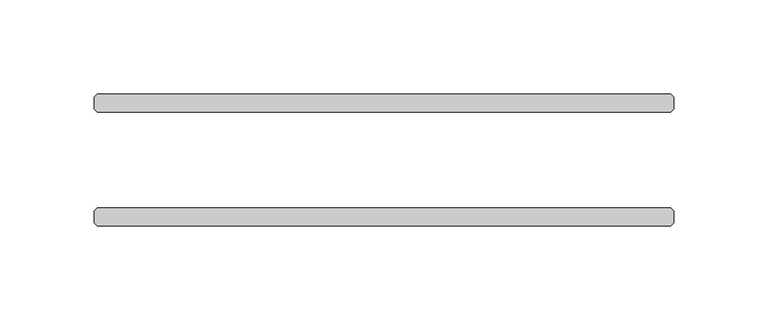
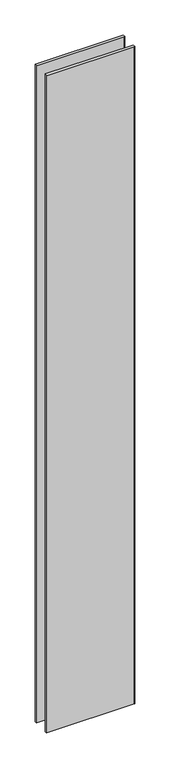
"""IFC4 building model written with IfcOpenShell, lengths in millimetres: plate geometry."""

from ifc_helpers import new_model, si_unit, origin, origin_with_axes, place, context, project, spatial, polyline, outline, extrude, source, transform, mapped, element, save


def plate_295858d5(model_context):
    return source(origin(), model_context, "Body", "SweptSolid", [
        extrude(outline(polyline([(152.003125, -25.4), (153.590625, -26.9875), (153.590625, -33.3375), (152.003125, -34.925), (-152.003125, -34.925), (-153.590625, -33.3375), (-153.590625, -26.9875), (-152.003125, -25.4), (152.003125, -25.4)])), origin_with_axes(), (0.0, 0.0, 1.0), 2417.7625023),
        extrude(outline(polyline([(152.003125, 34.925), (153.590625, 33.3375), (153.590625, 26.9875), (152.003125, 25.4), (-152.003125, 25.4), (-153.590625, 26.9875), (-153.590625, 33.3375), (-152.003125, 34.925), (152.003125, 34.925)])), origin_with_axes(), (0.0, 0.0, 1.0), 2417.7625023),
    ])


if __name__ == "__main__":
    model = new_model("IFC4")
    model_context = context("Model", 3, world=origin())
    ifc_project = project(units=[si_unit("LENGTHUNIT", "METRE", prefix="MILLI")], contexts=[model_context])
    site = spatial("IfcSite", under=ifc_project)
    building = spatial("IfcBuilding", under=site)
    placement = place(None, origin())
    plate_shape = plate_295858d5(model_context)
    element("IfcPlate", 1, at=placement, inside=building, context=model_context, shape_type="MappedRepresentation", body=[
        mapped(plate_shape, transform((0.0, 0.0, 0.0), x_axis=(1.0, 0.0, 0.0), y_axis=(0.0, 1.0, 0.0), z_axis=(0.0, 0.0, 1.0))),
    ])
    save(model, "model.ifc")
